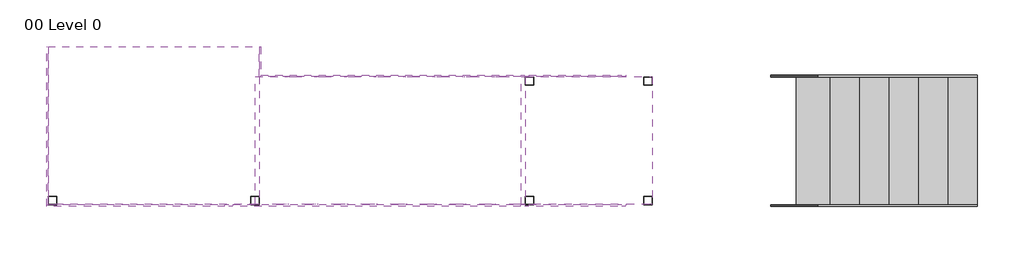
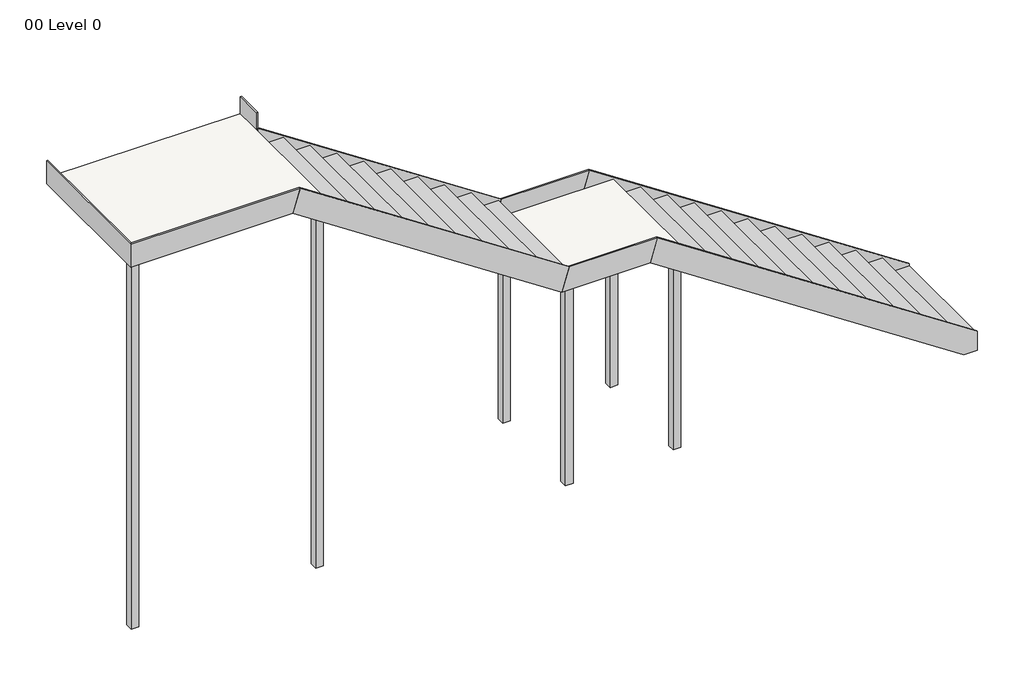
# One storey: 9 members, 6 columns, 2 slabs, 2 stair flights.
"""IFC4 building model written with IfcOpenShell, lengths in millimetres."""

import ifcopenshell
import ifcopenshell.guid

model = None  # the IFC model being written
_history = None  # IfcOwnerHistory: only IFC2X3 demands one
_inside = {}  # id of a spatial element -> (the spatial element, [elements in it])
_under = {}  # id of a project, library or spatial element -> (it, [spatial elements below it])
_declared = {}  # id of a project -> (the project, [libraries it declares])
_typed = {}  # id of a type object -> (the type object, [elements of that type])
_made_of = {}  # id of a material, layer set ... -> (it, [elements and type objects made of it])


def new_model(schema):
    """Start an empty IFC model of exactly this schema.

    Asked for "IFC4X3", IfcOpenShell would pick the latest addendum, in which some entities
    have other attributes; the version numbers below select the first issue.
    IFC2X3 requires an IfcOwnerHistory on every rooted entity: one is made here for all.
    """
    global model, _history
    if schema == "IFC4X3":
        model = ifcopenshell.file(schema_version=(4, 3, 0, 0))
    else:
        model = ifcopenshell.file(schema=schema)
    _inside.clear()
    _under.clear()
    _declared.clear()
    _typed.clear()
    _made_of.clear()
    _history = None
    if model.schema == "IFC2X3":
        org = make("IfcOrganization", Name="unknown")
        user = make(
            "IfcPersonAndOrganization",
            ThePerson=make("IfcPerson", FamilyName="unknown"),
            TheOrganization=org,
        )
        app = make(
            "IfcApplication",
            ApplicationDeveloper=org,
            Version="unknown",
            ApplicationFullName="unknown",
            ApplicationIdentifier="unknown",
        )
        _history = make(
            "IfcOwnerHistory",
            OwningUser=user,
            OwningApplication=app,
            ChangeAction="ADDED",
            CreationDate=0,
        )
    return model


def make(cls, **values):
    """One entity of the class cls with the attributes given. An attribute that is None is left unset."""
    return model.create_entity(
        cls, **{name: value for name, value in values.items() if value is not None}
    )


def rooted(cls, **values):
    """An entity with a GlobalId (a new one), such as an element, a storey or a relation."""
    return make(cls, GlobalId=ifcopenshell.guid.new(), OwnerHistory=_history, **values)


def si_unit(unit_type, name, prefix=None):
    """IfcSIUnit, for example si_unit("LENGTHUNIT", "METRE", prefix="MILLI")."""
    return make("IfcSIUnit", UnitType=unit_type, Prefix=prefix, Name=name)


def assignment(units):
    """IfcUnitAssignment: the units of a project."""
    return None if units is None else make("IfcUnitAssignment", Units=units)


def point(xyz):
    """IfcCartesianPoint."""
    return None if xyz is None else make("IfcCartesianPoint", Coordinates=xyz)


def direction(xyz):
    """IfcDirection."""
    return None if xyz is None else make("IfcDirection", DirectionRatios=xyz)


def frame(location, z_axis=None, x_axis=None):
    """IfcAxis2Placement3D, a coordinate frame: its origin and axes. An axis left out is left unset."""
    return make(
        "IfcAxis2Placement3D",
        Location=point(location),
        Axis=direction(z_axis),
        RefDirection=direction(x_axis),
    )


def origin():
    """The frame at (0, 0, 0) with its axes left unset."""
    return frame((0.0, 0.0, 0.0))


def origin_with_axes():
    """The frame at (0, 0, 0) with the z axis (0, 0, 1) and the x axis (1, 0, 0) written out."""
    return frame((0.0, 0.0, 0.0), z_axis=(0.0, 0.0, 1.0), x_axis=(1.0, 0.0, 0.0))


def place(relative_to, where):
    """IfcLocalPlacement: puts the frame where relative to a parent placement (None: the world)."""
    return make(
        "IfcLocalPlacement", PlacementRelTo=relative_to, RelativePlacement=where
    )


def context(
    kind, dimensions, precision=None, world=None, true_north=None, identifier=None
):
    """IfcGeometricRepresentationContext, for example the 3D "Model" context."""
    return make(
        "IfcGeometricRepresentationContext",
        ContextIdentifier=identifier,
        ContextType=kind,
        CoordinateSpaceDimension=dimensions,
        Precision=precision,
        WorldCoordinateSystem=world,
        TrueNorth=true_north,
    )


def project(units=None, contexts=None):
    """IfcProject with its units and contexts."""
    return rooted(
        "IfcProject",
        Name="project",
        RepresentationContexts=contexts,
        UnitsInContext=assignment(units),
    )


def spatial(cls, under=None, at=None, **own):
    """A site, building, storey or space (cls), placed at a placement, below another one or the project."""
    s = rooted(cls, ObjectPlacement=at, **own)
    if under is not None:
        _under.setdefault(under.id(), (under, []))[1].append(s)
    return s


def polyline(points):
    """IfcPolyline through the points."""
    return make("IfcPolyline", Points=[point(p) for p in points])


def outline(outer, holes=None, kind="AREA"):
    """IfcArbitraryClosedProfileDef: a profile drawn as a closed curve; with holes, ...WithVoids."""
    if holes is None:
        return make("IfcArbitraryClosedProfileDef", ProfileType=kind, OuterCurve=outer)
    return make(
        "IfcArbitraryProfileDefWithVoids",
        ProfileType=kind,
        OuterCurve=outer,
        InnerCurves=holes,
    )


def extrude(swept, where, along, depth):
    """IfcExtrudedAreaSolid: the profile swept, set in the frame where, extruded along a direction by depth."""
    return make(
        "IfcExtrudedAreaSolid",
        SweptArea=swept,
        Position=where,
        ExtrudedDirection=direction(along),
        Depth=depth,
    )


def faces_of(points, faces, orient=None, outer=None):
    """IfcFace entities. A face is a list of loops; a loop is a list of indices into points, from 0.

    orient and outer hold one flag for each loop. By default every Orientation is true, the
    first loop of a face is its IfcFaceOuterBound and the others are IfcFaceBound.
    """
    made = []
    for i, loops in enumerate(faces):
        bounds = []
        for j, loop in enumerate(loops):
            is_outer = j == 0 if outer is None else outer[i][j]
            bounds.append(
                make(
                    "IfcFaceOuterBound" if is_outer else "IfcFaceBound",
                    Bound=make("IfcPolyLoop", Polygon=[points[k] for k in loop]),
                    Orientation=True if orient is None else orient[i][j],
                )
            )
        made.append(make("IfcFace", Bounds=bounds))
    return made


def faceted_brep(points, faces, orient=None, outer=None, voids=None):
    """IfcFacetedBrep: a solid bounded by flat faces; with voids (closed shells), ...WithVoids."""
    shared = [point(p) for p in points]
    hull = make("IfcClosedShell", CfsFaces=faces_of(shared, faces, orient, outer))
    if voids is None:
        return make("IfcFacetedBrep", Outer=hull)
    return make(
        "IfcFacetedBrepWithVoids",
        Outer=hull,
        Voids=[
            make(cls, CfsFaces=faces_of(shared, fs, o, b)) for cls, fs, o, b in voids
        ],
    )


def shape(context_of_items, identifier, shape_type, items):
    """IfcShapeRepresentation: the items that make up one representation, for example the "Body"."""
    return make(
        "IfcShapeRepresentation",
        ContextOfItems=context_of_items,
        RepresentationIdentifier=identifier,
        RepresentationType=shape_type,
        Items=items,
    )


def source(mapping_origin, context_of_items, identifier, shape_type, items):
    """IfcRepresentationMap: a shape defined once, which mapped items show again and again."""
    return make(
        "IfcRepresentationMap",
        MappingOrigin=mapping_origin,
        MappedRepresentation=shape(context_of_items, identifier, shape_type, items),
    )


def transform(
    local_origin,
    x_axis=None,
    y_axis=None,
    z_axis=None,
    scale=None,
    scale2=None,
    scale3=None,
    uniform=True,
):
    """IfcCartesianTransformationOperator3D, or its non-uniform kind. x_axis, y_axis, z_axis: its Axis1, 2, 3."""
    if uniform:
        return make(
            "IfcCartesianTransformationOperator3D",
            Axis1=direction(x_axis),
            Axis2=direction(y_axis),
            LocalOrigin=point(local_origin),
            Scale=scale,
            Axis3=direction(z_axis),
        )
    return make(
        "IfcCartesianTransformationOperator3DnonUniform",
        Axis1=direction(x_axis),
        Axis2=direction(y_axis),
        LocalOrigin=point(local_origin),
        Scale=scale,
        Axis3=direction(z_axis),
        Scale2=scale2,
        Scale3=scale3,
    )


def mapped(mapping_source, mapping_target):
    """IfcMappedItem: shows the shape of a source again, moved by a transform."""
    return make(
        "IfcMappedItem", MappingSource=mapping_source, MappingTarget=mapping_target
    )


def made_of(thing, what):
    """Note that an element or type object is made of a material, layer set ...; save() writes the relation."""
    if what is not None:
        _made_of.setdefault(what.id(), (what, []))[1].append(thing)
    return thing


def element(
    cls,
    number,
    at=None,
    inside=None,
    cuts=None,
    type_object=None,
    material=None,
    context=None,
    identifier="Body",
    shape_type=None,
    held_by="IfcProductDefinitionShape",
    body=None,
    shapes=None,
    **own,
):
    """One element of the class cls, such as IfcWall. Its Tag is "e" and its number.

    at: its placement. inside: the storey or other place that contains it. cuts: it is an
    opening in that element (IfcRelVoidsElement). A single representation is given by context,
    identifier, shape_type and body (its items); several are given by shapes. held_by: the class
    of the entity that holds the representations. save() writes the other relations.
    """
    e = rooted(cls, Tag="e%d" % number, ObjectPlacement=at, **own)
    if body is not None:
        shapes = [shape(context, identifier, shape_type, body)]
    if shapes is not None:
        e.Representation = make(held_by, Representations=shapes)
    if inside is not None:
        _inside.setdefault(inside.id(), (inside, []))[1].append(e)
    if cuts is not None:
        rooted(
            "IfcRelVoidsElement", RelatingBuildingElement=cuts, RelatedOpeningElement=e
        )
    if type_object is not None:
        _typed.setdefault(type_object.id(), (type_object, []))[1].append(e)
    return made_of(e, material)


def aggregate(whole, parts):
    """IfcRelAggregates: a whole, such as a stair, and the parts it consists of."""
    return rooted("IfcRelAggregates", RelatingObject=whole, RelatedObjects=parts)


def save(model, path):
    """Write the relations noted so far, then the file.

    IfcRelAggregates (storeys below a building ...), IfcRelContainedInSpatialStructure (elements
    in a storey), IfcRelDefinesByType, IfcRelAssociatesMaterial and IfcRelDeclares: one each for
    every whole, place, type object, material and project.
    """
    for whole, parts in _under.values():
        aggregate(whole, parts)
    for where, things in _inside.values():
        rooted(
            "IfcRelContainedInSpatialStructure",
            RelatedElements=things,
            RelatingStructure=where,
        )
    for kind, things in _typed.values():
        rooted("IfcRelDefinesByType", RelatedObjects=things, RelatingType=kind)
    for what, things in _made_of.values():
        rooted("IfcRelAssociatesMaterial", RelatedObjects=things, RelatingMaterial=what)
    for by, libraries in _declared.values():
        rooted("IfcRelDeclares", RelatingContext=by, RelatedDefinitions=libraries)
    model.write(path)


def ptk_column_external_100x100_ptk_column_external_80x80_ee38d289(model_context):
    return source(origin(), model_context, "Body", "SweptSolid", [
        extrude(outline(polyline([(40.0, 40.0), (40.0, -40.0), (-40.0, -40.0), (-40.0, 40.0), (40.0, 40.0)]), holes=[polyline([(35.0, 35.0), (-35.0, 35.0), (-35.0, -35.0), (35.0, -35.0), (35.0, 35.0)])]), origin_with_axes(), (0.0, 0.0, 1.0), 4018.0),
    ])


def ptk_column_external_100x100_ptk_column_external_80x80_b8d9636e(model_context):
    return source(origin(), model_context, "Body", "SweptSolid", [
        extrude(outline(polyline([(40.0, 40.0), (40.0, -40.0), (-40.0, -40.0), (-40.0, 40.0), (40.0, 40.0)]), holes=[polyline([(35.0, 35.0), (-35.0, 35.0), (-35.0, -35.0), (35.0, -35.0), (35.0, 35.0)])]), origin_with_axes(), (0.0, 0.0, 1.0), 2193.0),
    ])


def non_monolithic_landing_c31f9c7f(model_context):
    return source(origin(), model_context, "Body", "Brep", [
        faceted_brep([(19298.7243946, 9606.9304572, 2217.1428571), (19260.7243946, 9606.9304572, 2217.1428571), (19260.7243946, 8394.9304572, 2217.1428571), (19298.7243946, 8394.9304572, 2217.1428571), (20498.7264359, 8394.9304572, 2217.1428571), (20498.7264359, 9606.9304572, 2217.1428571), (19298.7243946, 9606.9304572, 2179.1428571), (20473.3264359, 9606.9304572, 2179.1428571), (20473.3264359, 8394.9304572, 2179.1428571), (19298.7243946, 8394.9304572, 2179.1428571), (19260.7243946, 8394.9304572, 2179.1428571), (19260.7243946, 9606.9304572, 2179.1428571), (20498.7264359, 9606.9304572, 2198.0928571), (20473.3264359, 9606.9304572, 2172.6928571), (20473.3264359, 8394.9304572, 2172.6928571), (20498.7264359, 8394.9304572, 2198.0928571)], [[[0, 1, 2, 3, 4, 5]], [[6, 7, 8, 9, 10, 11]], [[0, 5, 12, 13, 7, 6]], [[1, 0, 6, 11]], [[2, 1, 11, 10]], [[3, 2, 10, 9]], [[4, 3, 9, 8, 14, 15]], [[12, 5, 4, 15]], [[13, 12, 15, 14]], [[13, 14, 8, 7]]]),
    ])


def non_monolithic_landing_b0d5f88e(model_context):
    return source(origin(), model_context, "Body", "Brep", [
        faceted_brep([(16778.7243946, 9894.9302658, 4064.7619048), (14778.7264359, 9894.9302658, 4064.7619048), (14778.7264359, 8394.9304572, 4064.7619048), (16778.7243946, 8394.9304572, 4064.7619048), (16778.7243946, 9894.9302658, 4026.7619048), (16778.7243946, 9606.9304572, 4026.7619048), (16759.7743946, 9606.9304572, 4026.7619048), (16753.3243946, 9606.9304572, 4026.7619048), (16753.3243946, 8394.9304572, 4026.7619048), (14778.7264359, 8394.9304572, 4026.7619048), (14778.7264359, 9894.9302658, 4026.7619048), (16753.3243946, 8394.9304572, 4020.3119048), (16778.7243946, 8394.9304572, 4045.7119048), (16778.7243946, 9606.9304572, 4045.7119048), (16753.3243946, 9606.9304572, 4020.3119048)], [[[0, 1, 2, 3]], [[4, 5, 6, 7, 8, 9, 10]], [[2, 1, 10, 9]], [[3, 2, 9, 8, 11, 12]], [[1, 0, 4, 10]], [[0, 3, 12, 13, 5, 4]], [[6, 5, 13]], [[14, 7, 6]], [[12, 11, 14, 6, 13]], [[14, 11, 8, 7]]]),
    ])


def concrete_steps_with_38mm_tread_38mm_nosing_0604b0b8(model_context):
    return source(origin(), model_context, "Body", "Brep", [
        faceted_brep([(23578.7264359, 8394.9304572, 184.7619048), (23578.7264359, 9606.9304572, 184.7619048), (23260.7264359, 9606.9304572, 184.7619048), (23260.7264359, 8394.9304572, 184.7619048), (23553.3264359, 8394.9304572, 146.7619048), (23260.7264359, 8394.9304572, 146.7619048), (23260.7264359, 9606.9304572, 146.7619048), (23553.3264359, 9606.9304572, 146.7619048), (23553.3264359, 8394.9304572, 140.3119048), (23578.7264359, 8394.9304572, 165.7119048), (23578.7264359, 9606.9304572, 165.7119048), (23553.3264359, 9606.9304572, 140.3119048)], [[[0, 1, 2, 3]], [[4, 5, 6, 7]], [[0, 3, 5, 4, 8, 9]], [[2, 1, 10, 11, 7, 6]], [[3, 2, 6, 5]], [[10, 1, 0, 9]], [[11, 10, 9, 8]], [[11, 8, 4, 7]]]),
        faceted_brep([(23298.7264359, 8394.9304572, 369.5238095), (23298.7264359, 9606.9304572, 369.5238095), (22980.7264359, 9606.9304572, 369.5238095), (22980.7264359, 8394.9304572, 369.5238095), (23273.3264359, 8394.9304572, 331.5238095), (22980.7264359, 8394.9304572, 331.5238095), (22980.7264359, 9606.9304572, 331.5238095), (23273.3264359, 9606.9304572, 331.5238095), (23273.3264359, 8394.9304572, 325.0738095), (23298.7264359, 8394.9304572, 350.4738095), (23298.7264359, 9606.9304572, 350.4738095), (23273.3264359, 9606.9304572, 325.0738095)], [[[0, 1, 2, 3]], [[4, 5, 6, 7]], [[0, 3, 5, 4, 8, 9]], [[2, 1, 10, 11, 7, 6]], [[3, 2, 6, 5]], [[10, 1, 0, 9]], [[11, 10, 9, 8]], [[11, 8, 4, 7]]]),
        faceted_brep([(23018.7264359, 8394.9304572, 554.2857143), (23018.7264359, 9606.9304572, 554.2857143), (22700.7264359, 9606.9304572, 554.2857143), (22700.7264359, 8394.9304572, 554.2857143), (22993.3264359, 8394.9304572, 516.2857143), (22700.7264359, 8394.9304572, 516.2857143), (22700.7264359, 9606.9304572, 516.2857143), (22993.3264359, 9606.9304572, 516.2857143), (22993.3264359, 8394.9304572, 509.8357143), (23018.7264359, 8394.9304572, 535.2357143), (23018.7264359, 9606.9304572, 535.2357143), (22993.3264359, 9606.9304572, 509.8357143)], [[[0, 1, 2, 3]], [[4, 5, 6, 7]], [[0, 3, 5, 4, 8, 9]], [[2, 1, 10, 11, 7, 6]], [[3, 2, 6, 5]], [[10, 1, 0, 9]], [[11, 10, 9, 8]], [[11, 8, 4, 7]]]),
        faceted_brep([(22738.7264359, 8394.9304572, 739.047619), (22738.7264359, 9606.9304572, 739.047619), (22420.7264359, 9606.9304572, 739.047619), (22420.7264359, 8394.9304572, 739.047619), (22713.3264359, 8394.9304572, 701.047619), (22420.7264359, 8394.9304572, 701.047619), (22420.7264359, 9606.9304572, 701.047619), (22713.3264359, 9606.9304572, 701.047619), (22713.3264359, 8394.9304572, 694.597619), (22738.7264359, 8394.9304572, 719.997619), (22738.7264359, 9606.9304572, 719.997619), (22713.3264359, 9606.9304572, 694.597619)], [[[0, 1, 2, 3]], [[4, 5, 6, 7]], [[0, 3, 5, 4, 8, 9]], [[2, 1, 10, 11, 7, 6]], [[3, 2, 6, 5]], [[10, 1, 0, 9]], [[11, 10, 9, 8]], [[11, 8, 4, 7]]]),
        faceted_brep([(22458.7264359, 8394.9304572, 923.8095238), (22458.7264359, 9606.9304572, 923.8095238), (22140.7264359, 9606.9304572, 923.8095238), (22140.7264359, 8394.9304572, 923.8095238), (22433.3264359, 8394.9304572, 885.8095238), (22140.7264359, 8394.9304572, 885.8095238), (22140.7264359, 9606.9304572, 885.8095238), (22433.3264359, 9606.9304572, 885.8095238), (22433.3264359, 8394.9304572, 879.3595238), (22458.7264359, 8394.9304572, 904.7595238), (22458.7264359, 9606.9304572, 904.7595238), (22433.3264359, 9606.9304572, 879.3595238)], [[[0, 1, 2, 3]], [[4, 5, 6, 7]], [[0, 3, 5, 4, 8, 9]], [[2, 1, 10, 11, 7, 6]], [[3, 2, 6, 5]], [[10, 1, 0, 9]], [[11, 10, 9, 8]], [[11, 8, 4, 7]]]),
        faceted_brep([(22178.7264359, 8394.9304572, 1108.5714286), (22178.7264359, 9606.9304572, 1108.5714286), (21860.7264359, 9606.9304572, 1108.5714286), (21860.7264359, 8394.9304572, 1108.5714286), (22153.3264359, 8394.9304572, 1070.5714286), (21860.7264359, 8394.9304572, 1070.5714286), (21860.7264359, 9606.9304572, 1070.5714286), (22153.3264359, 9606.9304572, 1070.5714286), (22153.3264359, 8394.9304572, 1064.1214286), (22178.7264359, 8394.9304572, 1089.5214286), (22178.7264359, 9606.9304572, 1089.5214286), (22153.3264359, 9606.9304572, 1064.1214286)], [[[0, 1, 2, 3]], [[4, 5, 6, 7]], [[0, 3, 5, 4, 8, 9]], [[2, 1, 10, 11, 7, 6]], [[3, 2, 6, 5]], [[10, 1, 0, 9]], [[11, 10, 9, 8]], [[11, 8, 4, 7]]]),
        faceted_brep([(21898.7264359, 8394.9304572, 1293.3333333), (21898.7264359, 9606.9304572, 1293.3333333), (21580.7264359, 9606.9304572, 1293.3333333), (21580.7264359, 8394.9304572, 1293.3333333), (21873.3264359, 8394.9304572, 1255.3333333), (21580.7264359, 8394.9304572, 1255.3333333), (21580.7264359, 9606.9304572, 1255.3333333), (21873.3264359, 9606.9304572, 1255.3333333), (21873.3264359, 8394.9304572, 1248.8833333), (21898.7264359, 8394.9304572, 1274.2833333), (21898.7264359, 9606.9304572, 1274.2833333), (21873.3264359, 9606.9304572, 1248.8833333)], [[[0, 1, 2, 3]], [[4, 5, 6, 7]], [[0, 3, 5, 4, 8, 9]], [[2, 1, 10, 11, 7, 6]], [[3, 2, 6, 5]], [[10, 1, 0, 9]], [[11, 10, 9, 8]], [[11, 8, 4, 7]]]),
        faceted_brep([(21618.7264359, 8394.9304572, 1478.0952381), (21618.7264359, 9606.9304572, 1478.0952381), (21300.7264359, 9606.9304572, 1478.0952381), (21300.7264359, 8394.9304572, 1478.0952381), (21593.3264359, 8394.9304572, 1440.0952381), (21300.7264359, 8394.9304572, 1440.0952381), (21300.7264359, 9606.9304572, 1440.0952381), (21593.3264359, 9606.9304572, 1440.0952381), (21593.3264359, 8394.9304572, 1433.6452381), (21618.7264359, 8394.9304572, 1459.0452381), (21618.7264359, 9606.9304572, 1459.0452381), (21593.3264359, 9606.9304572, 1433.6452381)], [[[0, 1, 2, 3]], [[4, 5, 6, 7]], [[0, 3, 5, 4, 8, 9]], [[2, 1, 10, 11, 7, 6]], [[3, 2, 6, 5]], [[10, 1, 0, 9]], [[11, 10, 9, 8]], [[11, 8, 4, 7]]]),
        faceted_brep([(21338.7264359, 8394.9304572, 1662.8571429), (21338.7264359, 9606.9304572, 1662.8571429), (21020.7264359, 9606.9304572, 1662.8571429), (21020.7264359, 8394.9304572, 1662.8571429), (21313.3264359, 8394.9304572, 1624.8571429), (21020.7264359, 8394.9304572, 1624.8571429), (21020.7264359, 9606.9304572, 1624.8571429), (21313.3264359, 9606.9304572, 1624.8571429), (21313.3264359, 8394.9304572, 1618.4071429), (21338.7264359, 8394.9304572, 1643.8071429), (21338.7264359, 9606.9304572, 1643.8071429), (21313.3264359, 9606.9304572, 1618.4071429)], [[[0, 1, 2, 3]], [[4, 5, 6, 7]], [[0, 3, 5, 4, 8, 9]], [[2, 1, 10, 11, 7, 6]], [[3, 2, 6, 5]], [[10, 1, 0, 9]], [[11, 10, 9, 8]], [[11, 8, 4, 7]]]),
        faceted_brep([(21058.7264359, 8394.9304572, 1847.6190476), (21058.7264359, 9606.9304572, 1847.6190476), (20740.7264359, 9606.9304572, 1847.6190476), (20740.7264359, 8394.9304572, 1847.6190476), (21033.3264359, 8394.9304572, 1809.6190476), (20740.7264359, 8394.9304572, 1809.6190476), (20740.7264359, 9606.9304572, 1809.6190476), (21033.3264359, 9606.9304572, 1809.6190476), (21033.3264359, 8394.9304572, 1803.1690476), (21058.7264359, 8394.9304572, 1828.5690476), (21058.7264359, 9606.9304572, 1828.5690476), (21033.3264359, 9606.9304572, 1803.1690476)], [[[0, 1, 2, 3]], [[4, 5, 6, 7]], [[0, 3, 5, 4, 8, 9]], [[2, 1, 10, 11, 7, 6]], [[3, 2, 6, 5]], [[10, 1, 0, 9]], [[11, 10, 9, 8]], [[11, 8, 4, 7]]]),
        faceted_brep([(20460.7264359, 8394.9304572, 2032.3809524), (20498.7264359, 8394.9304572, 2032.3809524), (20778.7264359, 8394.9304572, 2032.3809524), (20778.7264359, 9606.9304572, 2032.3809524), (20498.7264359, 9606.9304572, 2032.3809524), (20460.7264359, 9606.9304572, 2032.3809524), (20498.7264359, 8394.9304572, 1994.3809524), (20460.7264359, 8394.9304572, 1994.3809524), (20460.7264359, 9606.9304572, 1994.3809524), (20498.7264359, 9606.9304572, 1994.3809524), (20753.3264359, 9606.9304572, 1994.3809524), (20753.3264359, 8394.9304572, 1994.3809524), (20778.7264359, 9606.9304572, 2013.3309524), (20753.3264359, 9606.9304572, 1987.9309524), (20778.7264359, 8394.9304572, 2013.3309524), (20753.3264359, 8394.9304572, 1987.9309524)], [[[0, 1, 2, 3, 4, 5]], [[6, 7, 8, 9, 10, 11]], [[1, 0, 7, 6]], [[4, 3, 12, 13, 10, 9]], [[0, 5, 8, 7]], [[12, 3, 2, 14]], [[13, 12, 14, 15]], [[13, 15, 11, 10]], [[2, 1, 6, 11, 15, 14]], [[5, 4, 9, 8]]]),
    ])


def concrete_steps_with_38mm_tread_38mm_nosing_69d3a73f(model_context):
    return source(origin(), model_context, "Body", "Brep", [
        faceted_brep([(19298.7243946, 8394.9304572, 2401.9047619), (19298.7243946, 9606.9304572, 2401.9047619), (18980.7243946, 9606.9304572, 2401.9047619), (18980.7243946, 8394.9304572, 2401.9047619), (19273.3243946, 8394.9304572, 2363.9047619), (18980.7243946, 8394.9304572, 2363.9047619), (18980.7243946, 9606.9304572, 2363.9047619), (19273.3243946, 9606.9304572, 2363.9047619), (19273.3243946, 8394.9304572, 2357.4547619), (19298.7243946, 8394.9304572, 2382.8547619), (19298.7243946, 9606.9304572, 2382.8547619), (19273.3243946, 9606.9304572, 2357.4547619)], [[[0, 1, 2, 3]], [[4, 5, 6, 7]], [[0, 3, 5, 4, 8, 9]], [[2, 1, 10, 11, 7, 6]], [[3, 2, 6, 5]], [[10, 1, 0, 9]], [[11, 10, 9, 8]], [[11, 8, 4, 7]]]),
        faceted_brep([(19018.7243946, 8394.9304572, 2586.6666667), (19018.7243946, 9606.9304572, 2586.6666667), (18700.7243946, 9606.9304572, 2586.6666667), (18700.7243946, 8394.9304572, 2586.6666667), (18993.3243946, 8394.9304572, 2548.6666667), (18700.7243946, 8394.9304572, 2548.6666667), (18700.7243946, 9606.9304572, 2548.6666667), (18993.3243946, 9606.9304572, 2548.6666667), (18993.3243946, 8394.9304572, 2542.2166667), (19018.7243946, 8394.9304572, 2567.6166667), (19018.7243946, 9606.9304572, 2567.6166667), (18993.3243946, 9606.9304572, 2542.2166667)], [[[0, 1, 2, 3]], [[4, 5, 6, 7]], [[0, 3, 5, 4, 8, 9]], [[2, 1, 10, 11, 7, 6]], [[3, 2, 6, 5]], [[10, 1, 0, 9]], [[11, 10, 9, 8]], [[11, 8, 4, 7]]]),
        faceted_brep([(18738.7243946, 8394.9304572, 2771.4285714), (18738.7243946, 9606.9304572, 2771.4285714), (18420.7243946, 9606.9304572, 2771.4285714), (18420.7243946, 8394.9304572, 2771.4285714), (18713.3243946, 8394.9304572, 2733.4285714), (18420.7243946, 8394.9304572, 2733.4285714), (18420.7243946, 9606.9304572, 2733.4285714), (18713.3243946, 9606.9304572, 2733.4285714), (18713.3243946, 8394.9304572, 2726.9785714), (18738.7243946, 8394.9304572, 2752.3785714), (18738.7243946, 9606.9304572, 2752.3785714), (18713.3243946, 9606.9304572, 2726.9785714)], [[[0, 1, 2, 3]], [[4, 5, 6, 7]], [[0, 3, 5, 4, 8, 9]], [[2, 1, 10, 11, 7, 6]], [[3, 2, 6, 5]], [[10, 1, 0, 9]], [[11, 10, 9, 8]], [[11, 8, 4, 7]]]),
        faceted_brep([(18458.7243946, 8394.9304572, 2956.1904762), (18458.7243946, 9606.9304572, 2956.1904762), (18140.7243946, 9606.9304572, 2956.1904762), (18140.7243946, 8394.9304572, 2956.1904762), (18433.3243946, 8394.9304572, 2918.1904762), (18140.7243946, 8394.9304572, 2918.1904762), (18140.7243946, 9606.9304572, 2918.1904762), (18433.3243946, 9606.9304572, 2918.1904762), (18433.3243946, 8394.9304572, 2911.7404762), (18458.7243946, 8394.9304572, 2937.1404762), (18458.7243946, 9606.9304572, 2937.1404762), (18433.3243946, 9606.9304572, 2911.7404762)], [[[0, 1, 2, 3]], [[4, 5, 6, 7]], [[0, 3, 5, 4, 8, 9]], [[2, 1, 10, 11, 7, 6]], [[3, 2, 6, 5]], [[10, 1, 0, 9]], [[11, 10, 9, 8]], [[11, 8, 4, 7]]]),
        faceted_brep([(18178.7243946, 8394.9304572, 3140.952381), (18178.7243946, 9606.9304572, 3140.952381), (17860.7243946, 9606.9304572, 3140.952381), (17860.7243946, 8394.9304572, 3140.952381), (18153.3243946, 8394.9304572, 3102.952381), (17860.7243946, 8394.9304572, 3102.952381), (17860.7243946, 9606.9304572, 3102.952381), (18153.3243946, 9606.9304572, 3102.952381), (18153.3243946, 8394.9304572, 3096.502381), (18178.7243946, 8394.9304572, 3121.902381), (18178.7243946, 9606.9304572, 3121.902381), (18153.3243946, 9606.9304572, 3096.502381)], [[[0, 1, 2, 3]], [[4, 5, 6, 7]], [[0, 3, 5, 4, 8, 9]], [[2, 1, 10, 11, 7, 6]], [[3, 2, 6, 5]], [[10, 1, 0, 9]], [[11, 10, 9, 8]], [[11, 8, 4, 7]]]),
        faceted_brep([(17898.7243946, 8394.9304572, 3325.7142857), (17898.7243946, 9606.9304572, 3325.7142857), (17580.7243946, 9606.9304572, 3325.7142857), (17580.7243946, 8394.9304572, 3325.7142857), (17873.3243946, 8394.9304572, 3287.7142857), (17580.7243946, 8394.9304572, 3287.7142857), (17580.7243946, 9606.9304572, 3287.7142857), (17873.3243946, 9606.9304572, 3287.7142857), (17873.3243946, 8394.9304572, 3281.2642857), (17898.7243946, 8394.9304572, 3306.6642857), (17898.7243946, 9606.9304572, 3306.6642857), (17873.3243946, 9606.9304572, 3281.2642857)], [[[0, 1, 2, 3]], [[4, 5, 6, 7]], [[0, 3, 5, 4, 8, 9]], [[2, 1, 10, 11, 7, 6]], [[3, 2, 6, 5]], [[10, 1, 0, 9]], [[11, 10, 9, 8]], [[11, 8, 4, 7]]]),
        faceted_brep([(17618.7243946, 8394.9304572, 3510.4761905), (17618.7243946, 9606.9304572, 3510.4761905), (17300.7243946, 9606.9304572, 3510.4761905), (17300.7243946, 8394.9304572, 3510.4761905), (17593.3243946, 8394.9304572, 3472.4761905), (17300.7243946, 8394.9304572, 3472.4761905), (17300.7243946, 9606.9304572, 3472.4761905), (17593.3243946, 9606.9304572, 3472.4761905), (17593.3243946, 8394.9304572, 3466.0261905), (17618.7243946, 8394.9304572, 3491.4261905), (17618.7243946, 9606.9304572, 3491.4261905), (17593.3243946, 9606.9304572, 3466.0261905)], [[[0, 1, 2, 3]], [[4, 5, 6, 7]], [[0, 3, 5, 4, 8, 9]], [[2, 1, 10, 11, 7, 6]], [[3, 2, 6, 5]], [[10, 1, 0, 9]], [[11, 10, 9, 8]], [[11, 8, 4, 7]]]),
        faceted_brep([(17338.7243946, 8394.9304572, 3695.2380952), (17338.7243946, 9606.9304572, 3695.2380952), (17020.7243946, 9606.9304572, 3695.2380952), (17020.7243946, 8394.9304572, 3695.2380952), (17313.3243946, 8394.9304572, 3657.2380952), (17020.7243946, 8394.9304572, 3657.2380952), (17020.7243946, 9606.9304572, 3657.2380952), (17313.3243946, 9606.9304572, 3657.2380952), (17313.3243946, 8394.9304572, 3650.7880952), (17338.7243946, 8394.9304572, 3676.1880952), (17338.7243946, 9606.9304572, 3676.1880952), (17313.3243946, 9606.9304572, 3650.7880952)], [[[0, 1, 2, 3]], [[4, 5, 6, 7]], [[0, 3, 5, 4, 8, 9]], [[2, 1, 10, 11, 7, 6]], [[3, 2, 6, 5]], [[10, 1, 0, 9]], [[11, 10, 9, 8]], [[11, 8, 4, 7]]]),
        faceted_brep([(16740.7243946, 8394.9304572, 3880.0), (16778.7243946, 8394.9304572, 3880.0), (17058.7243946, 8394.9304572, 3880.0), (17058.7243946, 9606.9304572, 3880.0), (16740.7243946, 9606.9304572, 3880.0), (16778.7243946, 8394.9304572, 3842.0), (16740.7243946, 8394.9304572, 3842.0), (16740.7243946, 9606.9304572, 3842.0), (17033.3243946, 9606.9304572, 3842.0), (17033.3243946, 8394.9304572, 3842.0), (17058.7243946, 9606.9304572, 3860.95), (17033.3243946, 9606.9304572, 3835.55), (17058.7243946, 8394.9304572, 3860.95), (17033.3243946, 8394.9304572, 3835.55)], [[[0, 1, 2, 3, 4]], [[5, 6, 7, 8, 9]], [[1, 0, 6, 5]], [[4, 3, 10, 11, 8, 7]], [[0, 4, 7, 6]], [[10, 3, 2, 12]], [[11, 10, 12, 13]], [[11, 13, 9, 8]], [[2, 1, 5, 9, 13, 12]]]),
    ])


model = new_model("IFC4")

# Units and contexts
model_context = context("Model", 3, world=origin())
ifc_project = project(units=[si_unit("LENGTHUNIT", "METRE", prefix="MILLI")], contexts=[model_context])

# Site, building, storey
site = spatial("IfcSite", under=ifc_project)
building = spatial("IfcBuilding", under=site)
storey = spatial("IfcBuildingStorey", under=building, Name="00 Level 0", Elevation=0.0)

# Columns
placement = place(None, origin())
ptk_column_external_100x100_ptk_column_external_80x80_shape = ptk_column_external_100x100_ptk_column_external_80x80_ee38d289(model_context)
element("IfcColumn", 1, ObjectType="PTK Column External 100x100 : PTK Column External 80x80", at=placement, inside=storey, context=model_context, shape_type="MappedRepresentation", body=[
    mapped(ptk_column_external_100x100_ptk_column_external_80x80_shape, transform((14818.7264359, 8434.9304572, 0.0), x_axis=(1.0, 0.0, 0.0), y_axis=(0.0, 1.0, 0.0), z_axis=(0.0, 0.0, 1.0))),
])
element("IfcColumn", 2, ObjectType="PTK Column External 100x100 : PTK Column External 80x80", at=placement, inside=storey, context=model_context, shape_type="MappedRepresentation", body=[
    mapped(ptk_column_external_100x100_ptk_column_external_80x80_shape, transform((16738.7243946, 8434.9304572, 0.0), x_axis=(1.0, 0.0, 0.0), y_axis=(0.0, 1.0, 0.0), z_axis=(0.0, 0.0, 1.0))),
])
ptk_column_external_100x100_ptk_column_external_80x80_2_shape = ptk_column_external_100x100_ptk_column_external_80x80_b8d9636e(model_context)
element("IfcColumn", 3, ObjectType="PTK Column External 100x100 : PTK Column External 80x80", at=placement, inside=storey, context=model_context, shape_type="MappedRepresentation", body=[
    mapped(ptk_column_external_100x100_ptk_column_external_80x80_2_shape, transform((20458.7264359, 8434.9304572, 0.0), x_axis=(1.0, 0.0, 0.0), y_axis=(0.0, 1.0, 0.0), z_axis=(0.0, 0.0, 1.0))),
])
element("IfcColumn", 4, ObjectType="PTK Column External 100x100 : PTK Column External 80x80", at=placement, inside=storey, context=model_context, shape_type="MappedRepresentation", body=[
    mapped(ptk_column_external_100x100_ptk_column_external_80x80_2_shape, transform((19338.7243946, 8434.9304572, 0.0), x_axis=(1.0, 0.0, 0.0), y_axis=(0.0, 1.0, 0.0), z_axis=(0.0, 0.0, 1.0))),
])
element("IfcColumn", 5, ObjectType="PTK Column External 100x100 : PTK Column External 80x80", at=placement, inside=storey, context=model_context, shape_type="MappedRepresentation", body=[
    mapped(ptk_column_external_100x100_ptk_column_external_80x80_2_shape, transform((19338.7243946, 9566.9304572, 0.0), x_axis=(1.0, 0.0, 0.0), y_axis=(0.0, 1.0, 0.0), z_axis=(0.0, 0.0, 1.0))),
])
element("IfcColumn", 6, ObjectType="PTK Column External 100x100 : PTK Column External 80x80", at=placement, inside=storey, context=model_context, shape_type="MappedRepresentation", body=[
    mapped(ptk_column_external_100x100_ptk_column_external_80x80_2_shape, transform((20458.7264359, 9566.9304572, 0.0), x_axis=(1.0, 0.0, 0.0), y_axis=(0.0, 1.0, 0.0), z_axis=(0.0, 0.0, 1.0))),
])

# Members
element("IfcMember", 7, ObjectType="Stringer - Paint - 15mm Width", at=placement, inside=storey, context=model_context, shape_type="SweptSolid", body=[
    extrude(outline(polyline([(0.0, 23578.7264359), (206.4954932, 23578.7264359), (2404.1428571, 20248.2711524), (2154.1428571, 20173.2214674), (0.0, 23437.7472406), (0.0, 23578.7264359)])), frame((0.0, 8379.9304572, 0.0), z_axis=(0.0, 1.0, 0.0), x_axis=(0.0, 0.0, 1.0)), (0.0, 0.0, 1.0), 15.0),
])
element("IfcMember", 8, ObjectType="Stringer - Paint - 15mm Width", at=placement, inside=storey, context=model_context, shape_type="SweptSolid", body=[
    extrude(outline(polyline([(0.0, 23578.7264359), (206.4954932, 23578.7264359), (2404.1428571, 20248.2711524), (2154.1428571, 20173.2214674), (0.0, 23437.7472406), (0.0, 23578.7264359)])), frame((0.0, 9606.9304572, 0.0), z_axis=(0.0, 1.0, 0.0), x_axis=(0.0, 0.0, 1.0)), (0.0, 0.0, 1.0), 15.0),
])
element("IfcMember", 9, ObjectType="Stringer - Paint - 15mm Width", at=placement, inside=storey, context=model_context, shape_type="SweptSolid", body=[
    extrude(outline(polyline([(2154.1428571, 19253.2194261), (2404.1428571, 19328.269111), (4251.7619048, 16528.269111), (4001.7619048, 16453.2194261), (2154.1428571, 19253.2194261)])), frame((0.0, 8379.9304572, 0.0), z_axis=(0.0, 1.0, 0.0), x_axis=(0.0, 0.0, 1.0)), (0.0, 0.0, 1.0), 15.0),
])
element("IfcMember", 10, ObjectType="Stringer - Paint - 15mm Width", at=placement, inside=storey, context=model_context, shape_type="SweptSolid", body=[
    extrude(outline(polyline([(2154.1428571, 19253.2194261), (2404.1428571, 19328.269111), (4076.597534, 16793.7243946), (3777.0749528, 16793.7243946), (2154.1428571, 19253.2194261)])), frame((0.0, 9606.9304572, 0.0), z_axis=(0.0, 1.0, 0.0), x_axis=(0.0, 0.0, 1.0)), (0.0, 0.0, 1.0), 15.0),
])
element("IfcMember", 11, ObjectType="Stringer - Paint - 15mm Width", at=placement, inside=storey, context=model_context, shape_type="SweptSolid", body=[
    extrude(outline(polyline([(2404.1428571, 19328.269111), (2154.1428571, 19253.2194261), (2154.1428571, 20173.2214674), (2404.1428571, 20248.2711524), (2404.1428571, 19328.269111)])), frame((0.0, 8379.9304572, 0.0), z_axis=(0.0, 1.0, 0.0), x_axis=(0.0, 0.0, 1.0)), (0.0, 0.0, 1.0), 15.0),
])
element("IfcMember", 12, ObjectType="Stringer - Paint - 15mm Width", at=placement, inside=storey, context=model_context, shape_type="SweptSolid", body=[
    extrude(outline(polyline([(2154.1428571, 20173.2214674), (2404.1428571, 20248.2711524), (2404.1428571, 19328.269111), (2154.1428571, 19253.2194261), (2154.1428571, 20173.2214674)])), frame((0.0, 9606.9304572, 0.0), z_axis=(0.0, 1.0, 0.0), x_axis=(0.0, 0.0, 1.0)), (0.0, 0.0, 1.0), 15.0),
])
element("IfcMember", 13, ObjectType="Stringer - Paint - 15mm Width", at=placement, inside=storey, context=model_context, shape_type="SweptSolid", body=[
    extrude(outline(polyline([(14763.7264359, 9894.9302658), (14778.7264359, 9894.9302658), (14778.7264359, 8394.9304572), (14763.7264359, 8379.9304572), (14763.7264359, 9894.9302658)])), frame((0.0, 0.0, 4001.7619048), z_axis=(0.0, 0.0, 1.0), x_axis=(1.0, 0.0, 0.0)), (0.0, 0.0, 1.0), 250.0),
])
element("IfcMember", 14, ObjectType="Stringer - Paint - 15mm Width", at=placement, inside=storey, context=model_context, shape_type="Brep", body=[
    faceted_brep([(14778.7264359, 8394.9304572, 4251.7619048), (14763.7264359, 8379.9304572, 4251.7619048), (16528.269111, 8379.9304572, 4251.7619048), (16528.269111, 8394.9304572, 4251.7619048), (14778.7264359, 8394.9304572, 4001.7619048), (16453.2194261, 8394.9304572, 4001.7619048), (14763.7264359, 8379.9304572, 4001.7619048), (16453.2194261, 8379.9304572, 4001.7619048)], [[[0, 1, 2, 3]], [[4, 0, 3, 5]], [[6, 4, 5, 7]], [[1, 6, 7, 2]], [[1, 0, 4, 6]], [[2, 7, 5, 3]]]),
])
element("IfcMember", 15, ObjectType="Stringer - Paint - 15mm Width", at=placement, inside=storey, context=model_context, shape_type="SweptSolid", body=[
    extrude(outline(polyline([(16793.7243946, 9606.9304572), (16778.7243946, 9606.9304572), (16778.7243946, 9894.9302658), (16793.7243946, 9894.9302658), (16793.7243946, 9606.9304572)])), frame((0.0, 0.0, 4001.7619048), z_axis=(0.0, 0.0, 1.0), x_axis=(1.0, 0.0, 0.0)), (0.0, 0.0, 1.0), 250.0),
])

# Slabs
non_monolithic_landing_shape = non_monolithic_landing_c31f9c7f(model_context)
element("IfcSlab", 16, ObjectType="Non-Monolithic Landing", at=placement, inside=storey, context=model_context, shape_type="MappedRepresentation", body=[
    mapped(non_monolithic_landing_shape, transform((0.0, 0.0, 0.0), x_axis=(1.0, 0.0, 0.0), y_axis=(0.0, 1.0, 0.0), z_axis=(0.0, 0.0, 1.0))),
])
non_monolithic_landing_2_shape = non_monolithic_landing_b0d5f88e(model_context)
element("IfcSlab", 17, ObjectType="Non-Monolithic Landing", at=placement, inside=storey, context=model_context, shape_type="MappedRepresentation", body=[
    mapped(non_monolithic_landing_2_shape, transform((0.0, 0.0, 0.0), x_axis=(1.0, 0.0, 0.0), y_axis=(0.0, 1.0, 0.0), z_axis=(0.0, 0.0, 1.0))),
])

# Stair flights
concrete_steps_with_38mm_tread_38mm_nosing_shape = concrete_steps_with_38mm_tread_38mm_nosing_0604b0b8(model_context)
element("IfcStairFlight", 18, ObjectType="Concrete Steps with 38mm Tread 38mm Nosing", at=placement, inside=storey, context=model_context, shape_type="MappedRepresentation", body=[
    mapped(concrete_steps_with_38mm_tread_38mm_nosing_shape, transform((0.0, 0.0, 0.0), x_axis=(1.0, 0.0, 0.0), y_axis=(0.0, 1.0, 0.0), z_axis=(0.0, 0.0, 1.0))),
])
concrete_steps_with_38mm_tread_38mm_nosing_2_shape = concrete_steps_with_38mm_tread_38mm_nosing_69d3a73f(model_context)
element("IfcStairFlight", 19, ObjectType="Concrete Steps with 38mm Tread 38mm Nosing", at=placement, inside=storey, context=model_context, shape_type="MappedRepresentation", body=[
    mapped(concrete_steps_with_38mm_tread_38mm_nosing_2_shape, transform((0.0, 0.0, 0.0), x_axis=(1.0, 0.0, 0.0), y_axis=(0.0, 1.0, 0.0), z_axis=(0.0, 0.0, 1.0))),
])

save(model, "model.ifc")
